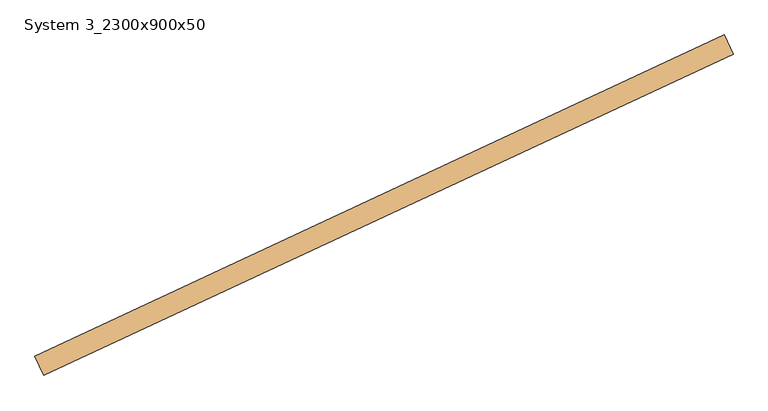
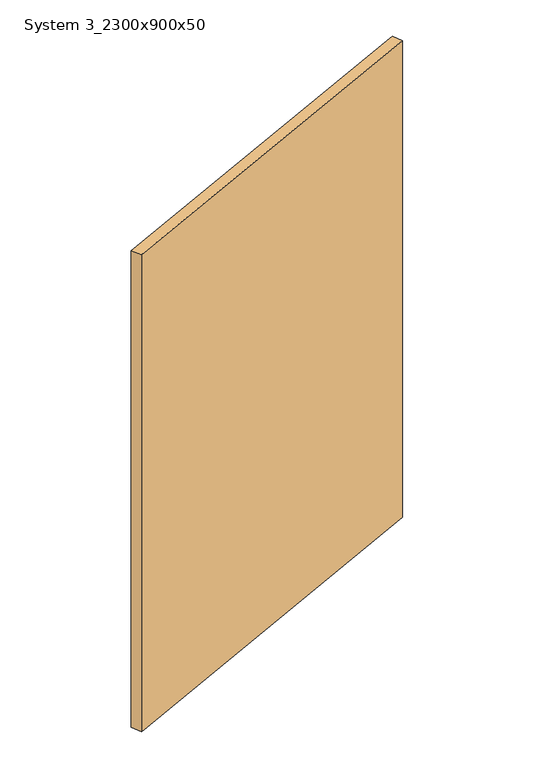
"""IFC4 building model written with IfcOpenShell, lengths in millimetres: door geometry, System 3_2300x900x50."""

from ifc_helpers import new_model, si_unit, frame, origin, place, context, project, spatial, polyline, outline, extrude, source, transform, mapped, element, save


def system_3_2300x900x50_62f0faaa(model_context):
    return source(origin(), model_context, "Body", "SweptSolid", [
        extrude(outline(polyline([(826.2424649, 357.6987409), (-805.1115518, -403.0141302), (-826.2424649, -357.6987409), (805.1115518, 403.0141302), (826.2424649, 357.6987409)])), frame((0.0, 0.0, 13.0), z_axis=(0.0, 0.0, 1.0), x_axis=(1.0, 0.0, 0.0)), (0.0, 0.0, 1.0), 2300.0),
    ])


if __name__ == "__main__":
    model = new_model("IFC4")
    model_context = context("Model", 3, world=origin())
    ifc_project = project(units=[si_unit("LENGTHUNIT", "METRE", prefix="MILLI")], contexts=[model_context])
    site = spatial("IfcSite", under=ifc_project)
    building = spatial("IfcBuilding", under=site)
    placement = place(None, origin())
    system_3_2300x900x50_shape = system_3_2300x900x50_62f0faaa(model_context)
    element("IfcDoor", 1, ObjectType="System 3_2300x900x50", at=placement, inside=building, context=model_context, shape_type="MappedRepresentation", body=[
        mapped(system_3_2300x900x50_shape, transform((0.0, 0.0, 0.0), x_axis=(1.0, 0.0, 0.0), y_axis=(0.0, 1.0, 0.0), z_axis=(0.0, 0.0, 1.0))),
    ])
    save(model, "model.ifc")
